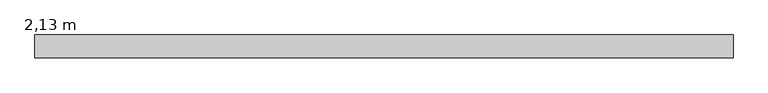
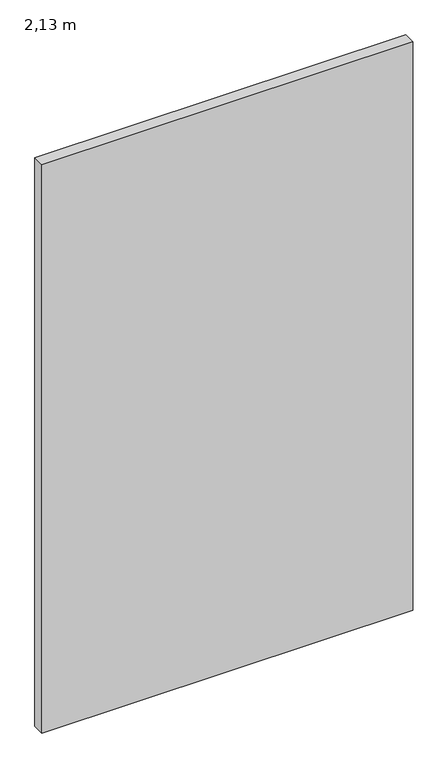
"""IFC4 building model written with IfcOpenShell, lengths in millimetres: furniture geometry, 2,13 m."""

from ifc_helpers import new_model, si_unit, origin, origin_with_axes, place, context, project, spatial, polyline, outline, extrude, source, transform, mapped, element, save


def furniture_2_13_m_1d2206eb(model_context):
    return source(origin(), model_context, "Body", "SweptSolid", [
        extrude(outline(polyline([(1190.0, 290.0), (-940.0, 290.0), (-940.0, 360.0), (1190.0, 360.0), (1190.0, 290.0)])), origin_with_axes(), (0.0, 0.0, 1.0), 3450.0),
    ])


if __name__ == "__main__":
    model = new_model("IFC4")
    model_context = context("Model", 3, world=origin())
    ifc_project = project(units=[si_unit("LENGTHUNIT", "METRE", prefix="MILLI")], contexts=[model_context])
    site = spatial("IfcSite", under=ifc_project)
    building = spatial("IfcBuilding", under=site)
    placement = place(None, origin())
    furniture_2_13_m_shape = furniture_2_13_m_1d2206eb(model_context)
    element("IfcFurniture", 1, ObjectType="2,13 m", at=placement, inside=building, context=model_context, shape_type="MappedRepresentation", body=[
        mapped(furniture_2_13_m_shape, transform((0.0, 0.0, 0.0), x_axis=(1.0, 0.0, 0.0), y_axis=(0.0, 1.0, 0.0), z_axis=(0.0, 0.0, 1.0))),
    ])
    save(model, "model.ifc")
